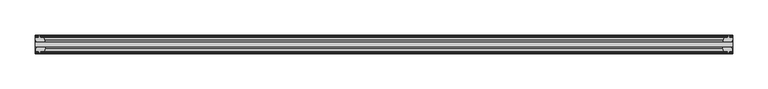
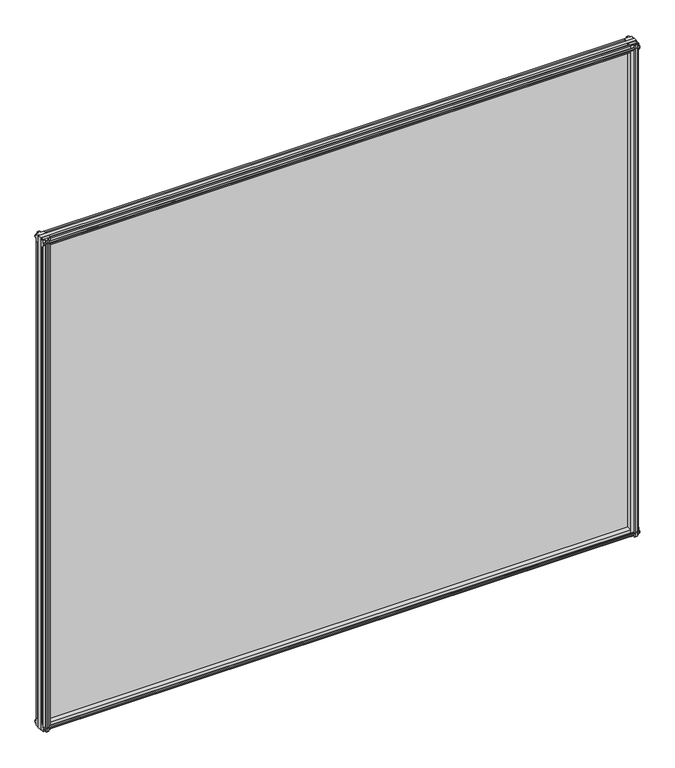
"""IFC4 building model written with IfcOpenShell, lengths in millimetres: plate geometry."""

import ifcopenshell
import ifcopenshell.guid

model = None  # the IFC model being written
_history = None  # IfcOwnerHistory: only IFC2X3 demands one
_inside = {}  # id of a spatial element -> (the spatial element, [elements in it])
_under = {}  # id of a project, library or spatial element -> (it, [spatial elements below it])
_declared = {}  # id of a project -> (the project, [libraries it declares])
_typed = {}  # id of a type object -> (the type object, [elements of that type])
_made_of = {}  # id of a material, layer set ... -> (it, [elements and type objects made of it])


def new_model(schema):
    """Start an empty IFC model of exactly this schema.

    Asked for "IFC4X3", IfcOpenShell would pick the latest addendum, in which some entities
    have other attributes; the version numbers below select the first issue.
    IFC2X3 requires an IfcOwnerHistory on every rooted entity: one is made here for all.
    """
    global model, _history
    if schema == "IFC4X3":
        model = ifcopenshell.file(schema_version=(4, 3, 0, 0))
    else:
        model = ifcopenshell.file(schema=schema)
    _inside.clear()
    _under.clear()
    _declared.clear()
    _typed.clear()
    _made_of.clear()
    _history = None
    if model.schema == "IFC2X3":
        org = make("IfcOrganization", Name="unknown")
        user = make(
            "IfcPersonAndOrganization",
            ThePerson=make("IfcPerson", FamilyName="unknown"),
            TheOrganization=org,
        )
        app = make(
            "IfcApplication",
            ApplicationDeveloper=org,
            Version="unknown",
            ApplicationFullName="unknown",
            ApplicationIdentifier="unknown",
        )
        _history = make(
            "IfcOwnerHistory",
            OwningUser=user,
            OwningApplication=app,
            ChangeAction="ADDED",
            CreationDate=0,
        )
    return model


def make(cls, **values):
    """One entity of the class cls with the attributes given. An attribute that is None is left unset."""
    return model.create_entity(
        cls, **{name: value for name, value in values.items() if value is not None}
    )


def rooted(cls, **values):
    """An entity with a GlobalId (a new one), such as an element, a storey or a relation."""
    return make(cls, GlobalId=ifcopenshell.guid.new(), OwnerHistory=_history, **values)


def si_unit(unit_type, name, prefix=None):
    """IfcSIUnit, for example si_unit("LENGTHUNIT", "METRE", prefix="MILLI")."""
    return make("IfcSIUnit", UnitType=unit_type, Prefix=prefix, Name=name)


def assignment(units):
    """IfcUnitAssignment: the units of a project."""
    return None if units is None else make("IfcUnitAssignment", Units=units)


def point(xyz):
    """IfcCartesianPoint."""
    return None if xyz is None else make("IfcCartesianPoint", Coordinates=xyz)


def direction(xyz):
    """IfcDirection."""
    return None if xyz is None else make("IfcDirection", DirectionRatios=xyz)


def frame(location, z_axis=None, x_axis=None):
    """IfcAxis2Placement3D, a coordinate frame: its origin and axes. An axis left out is left unset."""
    return make(
        "IfcAxis2Placement3D",
        Location=point(location),
        Axis=direction(z_axis),
        RefDirection=direction(x_axis),
    )


def origin():
    """The frame at (0, 0, 0) with its axes left unset."""
    return frame((0.0, 0.0, 0.0))


def place(relative_to, where):
    """IfcLocalPlacement: puts the frame where relative to a parent placement (None: the world)."""
    return make(
        "IfcLocalPlacement", PlacementRelTo=relative_to, RelativePlacement=where
    )


def context(
    kind, dimensions, precision=None, world=None, true_north=None, identifier=None
):
    """IfcGeometricRepresentationContext, for example the 3D "Model" context."""
    return make(
        "IfcGeometricRepresentationContext",
        ContextIdentifier=identifier,
        ContextType=kind,
        CoordinateSpaceDimension=dimensions,
        Precision=precision,
        WorldCoordinateSystem=world,
        TrueNorth=true_north,
    )


def project(units=None, contexts=None):
    """IfcProject with its units and contexts."""
    return rooted(
        "IfcProject",
        Name="project",
        RepresentationContexts=contexts,
        UnitsInContext=assignment(units),
    )


def spatial(cls, under=None, at=None, **own):
    """A site, building, storey or space (cls), placed at a placement, below another one or the project."""
    s = rooted(cls, ObjectPlacement=at, **own)
    if under is not None:
        _under.setdefault(under.id(), (under, []))[1].append(s)
    return s


def polyline(points):
    """IfcPolyline through the points."""
    return make("IfcPolyline", Points=[point(p) for p in points])


def outline(outer, holes=None, kind="AREA"):
    """IfcArbitraryClosedProfileDef: a profile drawn as a closed curve; with holes, ...WithVoids."""
    if holes is None:
        return make("IfcArbitraryClosedProfileDef", ProfileType=kind, OuterCurve=outer)
    return make(
        "IfcArbitraryProfileDefWithVoids",
        ProfileType=kind,
        OuterCurve=outer,
        InnerCurves=holes,
    )


def extrude(swept, where, along, depth):
    """IfcExtrudedAreaSolid: the profile swept, set in the frame where, extruded along a direction by depth."""
    return make(
        "IfcExtrudedAreaSolid",
        SweptArea=swept,
        Position=where,
        ExtrudedDirection=direction(along),
        Depth=depth,
    )


def shape(context_of_items, identifier, shape_type, items):
    """IfcShapeRepresentation: the items that make up one representation, for example the "Body"."""
    return make(
        "IfcShapeRepresentation",
        ContextOfItems=context_of_items,
        RepresentationIdentifier=identifier,
        RepresentationType=shape_type,
        Items=items,
    )


def source(mapping_origin, context_of_items, identifier, shape_type, items):
    """IfcRepresentationMap: a shape defined once, which mapped items show again and again."""
    return make(
        "IfcRepresentationMap",
        MappingOrigin=mapping_origin,
        MappedRepresentation=shape(context_of_items, identifier, shape_type, items),
    )


def transform(
    local_origin,
    x_axis=None,
    y_axis=None,
    z_axis=None,
    scale=None,
    scale2=None,
    scale3=None,
    uniform=True,
):
    """IfcCartesianTransformationOperator3D, or its non-uniform kind. x_axis, y_axis, z_axis: its Axis1, 2, 3."""
    if uniform:
        return make(
            "IfcCartesianTransformationOperator3D",
            Axis1=direction(x_axis),
            Axis2=direction(y_axis),
            LocalOrigin=point(local_origin),
            Scale=scale,
            Axis3=direction(z_axis),
        )
    return make(
        "IfcCartesianTransformationOperator3DnonUniform",
        Axis1=direction(x_axis),
        Axis2=direction(y_axis),
        LocalOrigin=point(local_origin),
        Scale=scale,
        Axis3=direction(z_axis),
        Scale2=scale2,
        Scale3=scale3,
    )


def mapped(mapping_source, mapping_target):
    """IfcMappedItem: shows the shape of a source again, moved by a transform."""
    return make(
        "IfcMappedItem", MappingSource=mapping_source, MappingTarget=mapping_target
    )


def made_of(thing, what):
    """Note that an element or type object is made of a material, layer set ...; save() writes the relation."""
    if what is not None:
        _made_of.setdefault(what.id(), (what, []))[1].append(thing)
    return thing


def element(
    cls,
    number,
    at=None,
    inside=None,
    cuts=None,
    type_object=None,
    material=None,
    context=None,
    identifier="Body",
    shape_type=None,
    held_by="IfcProductDefinitionShape",
    body=None,
    shapes=None,
    **own,
):
    """One element of the class cls, such as IfcWall. Its Tag is "e" and its number.

    at: its placement. inside: the storey or other place that contains it. cuts: it is an
    opening in that element (IfcRelVoidsElement). A single representation is given by context,
    identifier, shape_type and body (its items); several are given by shapes. held_by: the class
    of the entity that holds the representations. save() writes the other relations.
    """
    e = rooted(cls, Tag="e%d" % number, ObjectPlacement=at, **own)
    if body is not None:
        shapes = [shape(context, identifier, shape_type, body)]
    if shapes is not None:
        e.Representation = make(held_by, Representations=shapes)
    if inside is not None:
        _inside.setdefault(inside.id(), (inside, []))[1].append(e)
    if cuts is not None:
        rooted(
            "IfcRelVoidsElement", RelatingBuildingElement=cuts, RelatedOpeningElement=e
        )
    if type_object is not None:
        _typed.setdefault(type_object.id(), (type_object, []))[1].append(e)
    return made_of(e, material)


def aggregate(whole, parts):
    """IfcRelAggregates: a whole, such as a stair, and the parts it consists of."""
    return rooted("IfcRelAggregates", RelatingObject=whole, RelatedObjects=parts)


def save(model, path):
    """Write the relations noted so far, then the file.

    IfcRelAggregates (storeys below a building ...), IfcRelContainedInSpatialStructure (elements
    in a storey), IfcRelDefinesByType, IfcRelAssociatesMaterial and IfcRelDeclares: one each for
    every whole, place, type object, material and project.
    """
    for whole, parts in _under.values():
        aggregate(whole, parts)
    for where, things in _inside.values():
        rooted(
            "IfcRelContainedInSpatialStructure",
            RelatedElements=things,
            RelatingStructure=where,
        )
    for kind, things in _typed.values():
        rooted("IfcRelDefinesByType", RelatedObjects=things, RelatingType=kind)
    for what, things in _made_of.values():
        rooted("IfcRelAssociatesMaterial", RelatedObjects=things, RelatingMaterial=what)
    for by, libraries in _declared.values():
        rooted("IfcRelDeclares", RelatingContext=by, RelatedDefinitions=libraries)
    model.write(path)


def plate_d0020e5a(model_context):
    return source(origin(), model_context, "Body", "SweptSolid", [
        extrude(outline(polyline([(-495.3, -19.5460937), (495.3, -19.5460937), (495.3, -25.8960937), (-495.3, -25.8960937), (-495.3, -19.5460937)])), frame((0.0, 0.0, -12.7), z_axis=(0.0, 0.0, 1.0), x_axis=(1.0, 0.0, 0.0)), (0.0, 0.0, 1.0), 863.6),
        extrude(outline(polyline([(492.3253038, -25.8960937), (494.538, -29.2996938), (494.538, -32.2460938), (490.093, -32.2460938), (489.712, -34.6262907), (491.1275291, -34.1663575), (491.1275291, -34.9675717), (488.95, -35.6750938), (486.7724709, -34.9675717), (486.7724709, -34.1663575), (488.188, -34.6262907), (487.807, -32.2460938), (482.6, -32.2460938), (480.4947229, -25.8960937), (492.3253038, -25.8960937)])), frame((0.0, 0.0, -12.7), z_axis=(0.0, 0.0, 1.0), x_axis=(1.0, 0.0, 0.0)), (0.0, 0.0, 1.0), 863.6),
        extrude(outline(polyline([(487.2931709, -10.4746158), (489.4707, -9.7670938), (491.648229, -10.4746158), (491.648229, -11.27583), (490.2327, -10.8158968), (490.6137, -13.1960938), (495.0587, -13.1960938), (495.0587, -16.1424938), (492.8460038, -19.5460937), (481.0154229, -19.5460937), (483.1207, -13.1960938), (488.3277, -13.1960938), (488.7087, -10.8158968), (487.2931709, -11.27583), (487.2931709, -10.4746158)])), frame((0.0, 0.0, -12.7), z_axis=(0.0, 0.0, 1.0), x_axis=(1.0, 0.0, 0.0)), (0.0, 0.0, 1.0), 863.6),
        extrude(outline(polyline([(-480.4947229, -25.8960937), (-482.6, -32.2460937), (-487.807, -32.2460937), (-488.188, -34.6262907), (-486.7724709, -34.1663575), (-486.7724709, -34.9675717), (-488.95, -35.6750937), (-491.1275291, -34.9675717), (-491.1275291, -34.1663575), (-489.712, -34.6262907), (-490.093, -32.2460937), (-494.538, -32.2460937), (-494.538, -29.2996937), (-492.3253038, -25.8960937), (-480.4947229, -25.8960937)])), frame((0.0, 0.0, -12.7), z_axis=(0.0, 0.0, 1.0), x_axis=(1.0, 0.0, 0.0)), (0.0, 0.0, 1.0), 863.6),
        extrude(outline(polyline([(-490.2327, -10.8158968), (-491.648229, -11.27583), (-491.648229, -10.4746158), (-489.4707, -9.7670937), (-487.2931709, -10.4746158), (-487.2931709, -11.27583), (-488.7087, -10.8158968), (-488.3277, -13.1960937), (-483.1207, -13.1960937), (-481.0154229, -19.5460937), (-492.8460038, -19.5460937), (-495.0587, -16.1424937), (-495.0587, -13.1960937), (-490.6137, -13.1960937), (-490.2327, -10.8158968)])), frame((0.0, 0.0, -12.7), z_axis=(0.0, 0.0, 1.0), x_axis=(1.0, 0.0, 0.0)), (0.0, 0.0, 1.0), 863.6),
        extrude(outline(polyline([(-13.1960937, 850.6587), (-13.1960937, 846.2137), (-10.8158968, 845.8327), (-11.27583, 847.248229), (-10.4746158, 847.248229), (-9.7670937, 845.0707), (-10.4746158, 842.8931709), (-11.27583, 842.8931709), (-10.8158968, 844.3087), (-13.1960937, 843.9277), (-13.1960937, 838.7207), (-19.5460937, 836.6154229), (-19.5460937, 848.4460038), (-16.1424937, 850.6587), (-13.1960937, 850.6587)])), frame((-495.3, 0.0, 0.0), z_axis=(1.0, 0.0, 0.0), x_axis=(0.0, 1.0, 0.0)), (0.0, 0.0, 1.0), 990.6),
        extrude(outline(polyline([(-29.2996937, 850.138), (-25.8960937, 847.9253038), (-25.8960937, 836.0947229), (-32.2460937, 838.2), (-32.2460937, 843.407), (-34.6262907, 843.788), (-34.1663575, 842.3724709), (-34.9675717, 842.3724709), (-35.6750937, 844.55), (-34.9675717, 846.7275291), (-34.1663575, 846.7275291), (-34.6262907, 845.312), (-32.2460937, 845.693), (-32.2460937, 850.138), (-29.2996937, 850.138)])), frame((-495.3, 0.0, 0.0), z_axis=(1.0, 0.0, 0.0), x_axis=(0.0, 1.0, 0.0)), (0.0, 0.0, 1.0), 990.6),
        extrude(outline(polyline([(-25.8960937, 2.1052771), (-25.8960937, -9.7253038), (-29.2996937, -11.938), (-32.2460937, -11.938), (-32.2460937, -7.493), (-34.6262907, -7.112), (-34.1663575, -8.5275291), (-34.9675717, -8.5275291), (-35.6750937, -6.35), (-34.9675717, -4.1724709), (-34.1663575, -4.1724709), (-34.6262907, -5.588), (-32.2460937, -5.207), (-32.2460937, 0.0), (-25.8960937, 2.1052771)])), frame((-495.3, 0.0, 0.0), z_axis=(1.0, 0.0, 0.0), x_axis=(0.0, 1.0, 0.0)), (0.0, 0.0, 1.0), 990.6),
        extrude(outline(polyline([(-19.5460937, 1.5845771), (-13.1960937, -0.5207), (-13.1960937, -5.7277), (-10.8158968, -6.1087), (-11.27583, -4.6931709), (-10.4746158, -4.6931709), (-9.7670937, -6.8707), (-10.4746158, -9.048229), (-11.27583, -9.048229), (-10.8158968, -7.6327), (-13.1960937, -8.0137), (-13.1960937, -12.4587), (-16.1424937, -12.4587), (-19.5460937, -10.2460038), (-19.5460937, 1.5845771)])), frame((-495.3, 0.0, 0.0), z_axis=(1.0, 0.0, 0.0), x_axis=(0.0, 1.0, 0.0)), (0.0, 0.0, 1.0), 990.6),
    ])


if __name__ == "__main__":
    model = new_model("IFC4")
    model_context = context("Model", 3, world=origin())
    ifc_project = project(units=[si_unit("LENGTHUNIT", "METRE", prefix="MILLI")], contexts=[model_context])
    site = spatial("IfcSite", under=ifc_project)
    building = spatial("IfcBuilding", under=site)
    placement = place(None, origin())
    plate_shape = plate_d0020e5a(model_context)
    element("IfcPlate", 1, at=placement, inside=building, context=model_context, shape_type="MappedRepresentation", body=[
        mapped(plate_shape, transform((0.0, 0.0, 0.0), x_axis=(1.0, 0.0, 0.0), y_axis=(0.0, 1.0, 0.0), z_axis=(0.0, 0.0, 1.0))),
    ])
    save(model, "model.ifc")
